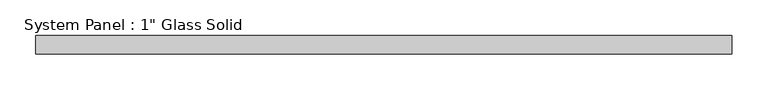
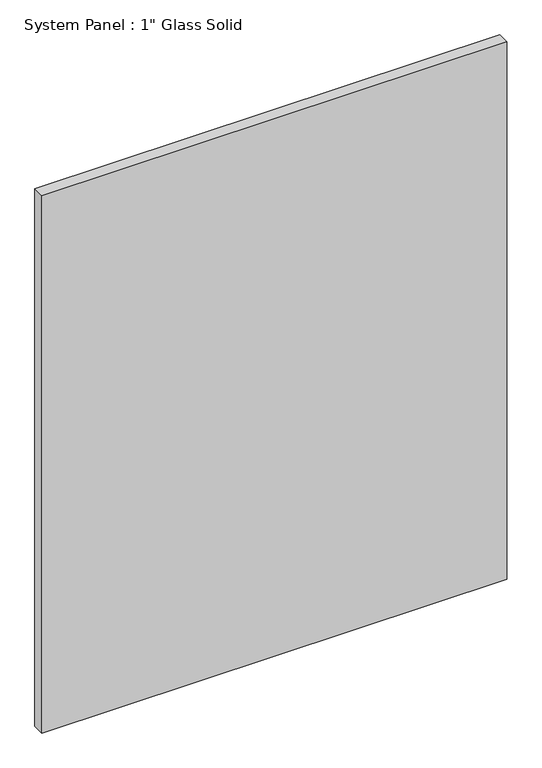
"""IFC4 building model written with IfcOpenShell, lengths in millimetres: plate geometry."""

from ifc_helpers import new_model, si_unit, origin, origin_with_axes, place, context, project, spatial, polyline, outline, extrude, source, transform, mapped, element, save


def plate_7e88e3dd(model_context):
    return source(origin(), model_context, "Body", "SweptSolid", [
        extrude(outline(polyline([(485.775, -12.7), (-485.775, -12.7), (-485.775, 12.7), (485.775, 12.7), (485.775, -12.7)])), origin_with_axes(), (0.0, 0.0, 1.0), 1187.4517704),
    ])


if __name__ == "__main__":
    model = new_model("IFC4")
    model_context = context("Model", 3, world=origin())
    ifc_project = project(units=[si_unit("LENGTHUNIT", "METRE", prefix="MILLI")], contexts=[model_context])
    site = spatial("IfcSite", under=ifc_project)
    building = spatial("IfcBuilding", under=site)
    placement = place(None, origin())
    plate_shape = plate_7e88e3dd(model_context)
    element("IfcPlate", 1, ObjectType="System Panel : 1\" Glass Solid", at=placement, inside=building, context=model_context, shape_type="MappedRepresentation", body=[
        mapped(plate_shape, transform((0.0, 0.0, 0.0), x_axis=(1.0, 0.0, 0.0), y_axis=(0.0, 1.0, 0.0), z_axis=(0.0, 0.0, 1.0))),
    ])
    save(model, "model.ifc")
